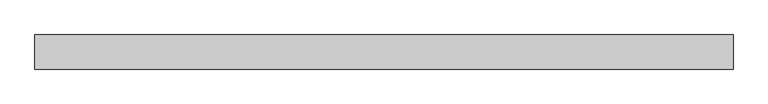
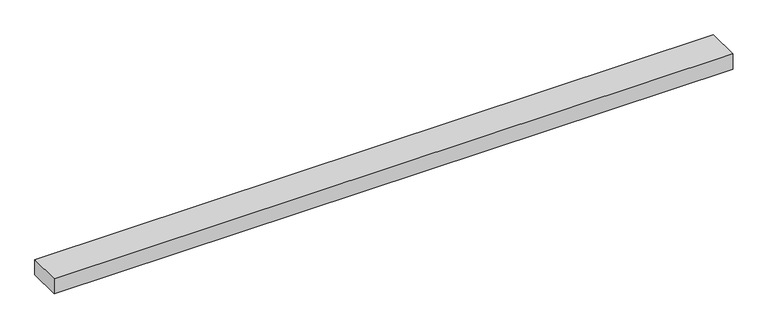
"""IFC4 building model written with IfcOpenShell, lengths in millimetres: proxy geometry."""

from ifc_helpers import new_model, si_unit, frame, origin, place, context, project, spatial, polyline, outline, extrude, source, transform, mapped, element, save


def specialty_equipment_2f1629b3(model_context):
    return source(origin(), model_context, "Body", "SweptSolid", [
        extrude(outline(polyline([(-596.9, 29.2199219), (596.9, 29.2199219), (596.9, -29.2199219), (-596.9, -29.2199219), (-596.9, 29.2199219)])), frame((0.0, 0.0, -13.9898438), z_axis=(0.0, 0.0, 1.0), x_axis=(1.0, 0.0, 0.0)), (0.0, 0.0, 1.0), 27.9796875),
    ])


if __name__ == "__main__":
    model = new_model("IFC4")
    model_context = context("Model", 3, world=origin())
    ifc_project = project(units=[si_unit("LENGTHUNIT", "METRE", prefix="MILLI")], contexts=[model_context])
    site = spatial("IfcSite", under=ifc_project)
    building = spatial("IfcBuilding", under=site)
    placement = place(None, origin())
    specialty_equipment_shape = specialty_equipment_2f1629b3(model_context)
    element("IfcBuildingElementProxy", 1, Name="Specialty Equipment", at=placement, inside=building, context=model_context, shape_type="MappedRepresentation", body=[
        mapped(specialty_equipment_shape, transform((0.0, 0.0, 0.0), x_axis=(1.0, 0.0, 0.0), y_axis=(0.0, 1.0, 0.0), z_axis=(0.0, 0.0, 1.0))),
    ])
    save(model, "model.ifc")
